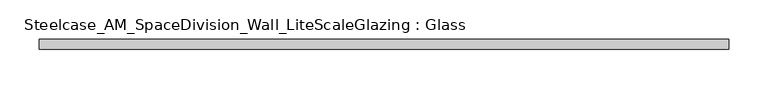
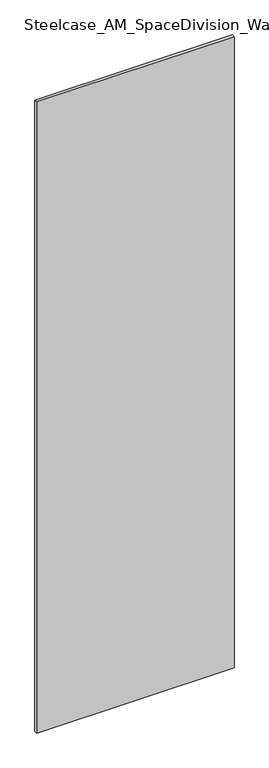
"""IFC4 building model written with IfcOpenShell, lengths in millimetres: plate geometry, Steelcase_AM_SpaceDivision_Wall_LiteScaleGlazing : Glass."""

from ifc_helpers import new_model, si_unit, origin, origin_with_axes, place, context, project, spatial, polyline, outline, extrude, source, transform, mapped, element, save


def steelcase_am_spacedivision_wall_litescaleglazing_glass_ebfa4616(model_context):
    return source(origin(), model_context, "Body", "SweptSolid", [
        extrude(outline(polyline([(-439.5411165, -6.349956), (-439.5411165, 6.3502015), (439.5411165, 6.3502015), (439.5411165, -6.349956), (-439.5411165, -6.349956)])), origin_with_axes(), (0.0, 0.0, 1.0), 2970.784),
    ])


if __name__ == "__main__":
    model = new_model("IFC4")
    model_context = context("Model", 3, world=origin())
    ifc_project = project(units=[si_unit("LENGTHUNIT", "METRE", prefix="MILLI")], contexts=[model_context])
    site = spatial("IfcSite", under=ifc_project)
    building = spatial("IfcBuilding", under=site)
    placement = place(None, origin())
    steelcase_am_spacedivision_wall_litescaleglazing_glass_shape = steelcase_am_spacedivision_wall_litescaleglazing_glass_ebfa4616(model_context)
    element("IfcPlate", 1, ObjectType="Steelcase_AM_SpaceDivision_Wall_LiteScaleGlazing : Glass", at=placement, inside=building, context=model_context, shape_type="MappedRepresentation", body=[
        mapped(steelcase_am_spacedivision_wall_litescaleglazing_glass_shape, transform((0.0, 0.0, 0.0), x_axis=(1.0, 0.0, 0.0), y_axis=(0.0, 1.0, 0.0), z_axis=(0.0, 0.0, 1.0))),
    ])
    save(model, "model.ifc")
